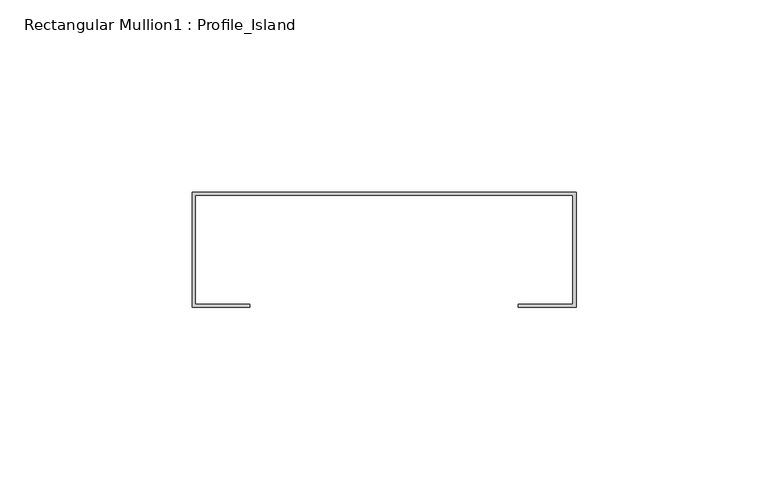
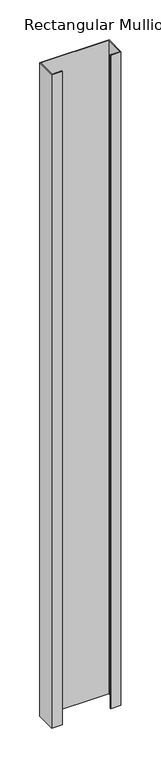
"""IFC4 building model written with IfcOpenShell, lengths in millimetres: member geometry, Rectangular Mullion1 : Profile_Island."""

import ifcopenshell
import ifcopenshell.guid

model = None  # the IFC model being written
_history = None  # IfcOwnerHistory: only IFC2X3 demands one
_inside = {}  # id of a spatial element -> (the spatial element, [elements in it])
_under = {}  # id of a project, library or spatial element -> (it, [spatial elements below it])
_declared = {}  # id of a project -> (the project, [libraries it declares])
_typed = {}  # id of a type object -> (the type object, [elements of that type])
_made_of = {}  # id of a material, layer set ... -> (it, [elements and type objects made of it])


def new_model(schema):
    """Start an empty IFC model of exactly this schema.

    Asked for "IFC4X3", IfcOpenShell would pick the latest addendum, in which some entities
    have other attributes; the version numbers below select the first issue.
    IFC2X3 requires an IfcOwnerHistory on every rooted entity: one is made here for all.
    """
    global model, _history
    if schema == "IFC4X3":
        model = ifcopenshell.file(schema_version=(4, 3, 0, 0))
    else:
        model = ifcopenshell.file(schema=schema)
    _inside.clear()
    _under.clear()
    _declared.clear()
    _typed.clear()
    _made_of.clear()
    _history = None
    if model.schema == "IFC2X3":
        org = make("IfcOrganization", Name="unknown")
        user = make(
            "IfcPersonAndOrganization",
            ThePerson=make("IfcPerson", FamilyName="unknown"),
            TheOrganization=org,
        )
        app = make(
            "IfcApplication",
            ApplicationDeveloper=org,
            Version="unknown",
            ApplicationFullName="unknown",
            ApplicationIdentifier="unknown",
        )
        _history = make(
            "IfcOwnerHistory",
            OwningUser=user,
            OwningApplication=app,
            ChangeAction="ADDED",
            CreationDate=0,
        )
    return model


def make(cls, **values):
    """One entity of the class cls with the attributes given. An attribute that is None is left unset."""
    return model.create_entity(
        cls, **{name: value for name, value in values.items() if value is not None}
    )


def rooted(cls, **values):
    """An entity with a GlobalId (a new one), such as an element, a storey or a relation."""
    return make(cls, GlobalId=ifcopenshell.guid.new(), OwnerHistory=_history, **values)


def si_unit(unit_type, name, prefix=None):
    """IfcSIUnit, for example si_unit("LENGTHUNIT", "METRE", prefix="MILLI")."""
    return make("IfcSIUnit", UnitType=unit_type, Prefix=prefix, Name=name)


def assignment(units):
    """IfcUnitAssignment: the units of a project."""
    return None if units is None else make("IfcUnitAssignment", Units=units)


def point(xyz):
    """IfcCartesianPoint."""
    return None if xyz is None else make("IfcCartesianPoint", Coordinates=xyz)


def direction(xyz):
    """IfcDirection."""
    return None if xyz is None else make("IfcDirection", DirectionRatios=xyz)


def frame(location, z_axis=None, x_axis=None):
    """IfcAxis2Placement3D, a coordinate frame: its origin and axes. An axis left out is left unset."""
    return make(
        "IfcAxis2Placement3D",
        Location=point(location),
        Axis=direction(z_axis),
        RefDirection=direction(x_axis),
    )


def origin():
    """The frame at (0, 0, 0) with its axes left unset."""
    return frame((0.0, 0.0, 0.0))


def place(relative_to, where):
    """IfcLocalPlacement: puts the frame where relative to a parent placement (None: the world)."""
    return make(
        "IfcLocalPlacement", PlacementRelTo=relative_to, RelativePlacement=where
    )


def context(
    kind, dimensions, precision=None, world=None, true_north=None, identifier=None
):
    """IfcGeometricRepresentationContext, for example the 3D "Model" context."""
    return make(
        "IfcGeometricRepresentationContext",
        ContextIdentifier=identifier,
        ContextType=kind,
        CoordinateSpaceDimension=dimensions,
        Precision=precision,
        WorldCoordinateSystem=world,
        TrueNorth=true_north,
    )


def project(units=None, contexts=None):
    """IfcProject with its units and contexts."""
    return rooted(
        "IfcProject",
        Name="project",
        RepresentationContexts=contexts,
        UnitsInContext=assignment(units),
    )


def spatial(cls, under=None, at=None, **own):
    """A site, building, storey or space (cls), placed at a placement, below another one or the project."""
    s = rooted(cls, ObjectPlacement=at, **own)
    if under is not None:
        _under.setdefault(under.id(), (under, []))[1].append(s)
    return s


def polyline(points):
    """IfcPolyline through the points."""
    return make("IfcPolyline", Points=[point(p) for p in points])


def outline(outer, holes=None, kind="AREA"):
    """IfcArbitraryClosedProfileDef: a profile drawn as a closed curve; with holes, ...WithVoids."""
    if holes is None:
        return make("IfcArbitraryClosedProfileDef", ProfileType=kind, OuterCurve=outer)
    return make(
        "IfcArbitraryProfileDefWithVoids",
        ProfileType=kind,
        OuterCurve=outer,
        InnerCurves=holes,
    )


def extrude(swept, where, along, depth):
    """IfcExtrudedAreaSolid: the profile swept, set in the frame where, extruded along a direction by depth."""
    return make(
        "IfcExtrudedAreaSolid",
        SweptArea=swept,
        Position=where,
        ExtrudedDirection=direction(along),
        Depth=depth,
    )


def shape(context_of_items, identifier, shape_type, items):
    """IfcShapeRepresentation: the items that make up one representation, for example the "Body"."""
    return make(
        "IfcShapeRepresentation",
        ContextOfItems=context_of_items,
        RepresentationIdentifier=identifier,
        RepresentationType=shape_type,
        Items=items,
    )


def source(mapping_origin, context_of_items, identifier, shape_type, items):
    """IfcRepresentationMap: a shape defined once, which mapped items show again and again."""
    return make(
        "IfcRepresentationMap",
        MappingOrigin=mapping_origin,
        MappedRepresentation=shape(context_of_items, identifier, shape_type, items),
    )


def transform(
    local_origin,
    x_axis=None,
    y_axis=None,
    z_axis=None,
    scale=None,
    scale2=None,
    scale3=None,
    uniform=True,
):
    """IfcCartesianTransformationOperator3D, or its non-uniform kind. x_axis, y_axis, z_axis: its Axis1, 2, 3."""
    if uniform:
        return make(
            "IfcCartesianTransformationOperator3D",
            Axis1=direction(x_axis),
            Axis2=direction(y_axis),
            LocalOrigin=point(local_origin),
            Scale=scale,
            Axis3=direction(z_axis),
        )
    return make(
        "IfcCartesianTransformationOperator3DnonUniform",
        Axis1=direction(x_axis),
        Axis2=direction(y_axis),
        LocalOrigin=point(local_origin),
        Scale=scale,
        Axis3=direction(z_axis),
        Scale2=scale2,
        Scale3=scale3,
    )


def mapped(mapping_source, mapping_target):
    """IfcMappedItem: shows the shape of a source again, moved by a transform."""
    return make(
        "IfcMappedItem", MappingSource=mapping_source, MappingTarget=mapping_target
    )


def made_of(thing, what):
    """Note that an element or type object is made of a material, layer set ...; save() writes the relation."""
    if what is not None:
        _made_of.setdefault(what.id(), (what, []))[1].append(thing)
    return thing


def element(
    cls,
    number,
    at=None,
    inside=None,
    cuts=None,
    type_object=None,
    material=None,
    context=None,
    identifier="Body",
    shape_type=None,
    held_by="IfcProductDefinitionShape",
    body=None,
    shapes=None,
    **own,
):
    """One element of the class cls, such as IfcWall. Its Tag is "e" and its number.

    at: its placement. inside: the storey or other place that contains it. cuts: it is an
    opening in that element (IfcRelVoidsElement). A single representation is given by context,
    identifier, shape_type and body (its items); several are given by shapes. held_by: the class
    of the entity that holds the representations. save() writes the other relations.
    """
    e = rooted(cls, Tag="e%d" % number, ObjectPlacement=at, **own)
    if body is not None:
        shapes = [shape(context, identifier, shape_type, body)]
    if shapes is not None:
        e.Representation = make(held_by, Representations=shapes)
    if inside is not None:
        _inside.setdefault(inside.id(), (inside, []))[1].append(e)
    if cuts is not None:
        rooted(
            "IfcRelVoidsElement", RelatingBuildingElement=cuts, RelatedOpeningElement=e
        )
    if type_object is not None:
        _typed.setdefault(type_object.id(), (type_object, []))[1].append(e)
    return made_of(e, material)


def aggregate(whole, parts):
    """IfcRelAggregates: a whole, such as a stair, and the parts it consists of."""
    return rooted("IfcRelAggregates", RelatingObject=whole, RelatedObjects=parts)


def save(model, path):
    """Write the relations noted so far, then the file.

    IfcRelAggregates (storeys below a building ...), IfcRelContainedInSpatialStructure (elements
    in a storey), IfcRelDefinesByType, IfcRelAssociatesMaterial and IfcRelDeclares: one each for
    every whole, place, type object, material and project.
    """
    for whole, parts in _under.values():
        aggregate(whole, parts)
    for where, things in _inside.values():
        rooted(
            "IfcRelContainedInSpatialStructure",
            RelatedElements=things,
            RelatingStructure=where,
        )
    for kind, things in _typed.values():
        rooted("IfcRelDefinesByType", RelatedObjects=things, RelatingType=kind)
    for what, things in _made_of.values():
        rooted("IfcRelAssociatesMaterial", RelatedObjects=things, RelatingMaterial=what)
    for by, libraries in _declared.values():
        rooted("IfcRelDeclares", RelatingContext=by, RelatedDefinitions=libraries)
    model.write(path)


def rectangular_mullion1_profile_island_b9cbb37b(model_context):
    return source(origin(), model_context, "Body", "SweptSolid", [
        extrude(outline(polyline([(50.0, 32.0), (50.0, 2.0), (35.0, 2.0), (35.0, 2.8), (49.2, 2.8), (49.2, 31.2), (-49.2, 31.2), (-49.2, 2.8), (-35.0, 2.8), (-35.0, 2.0), (-50.0, 2.0), (-50.0, 32.0), (50.0, 32.0)])), frame((0.0, 0.0, -999.499983), z_axis=(0.0, 0.0, 1.0), x_axis=(1.0, 0.0, 0.0)), (0.0, 0.0, 1.0), 999.499983),
    ])


if __name__ == "__main__":
    model = new_model("IFC4")
    model_context = context("Model", 3, world=origin())
    ifc_project = project(units=[si_unit("LENGTHUNIT", "METRE", prefix="MILLI")], contexts=[model_context])
    site = spatial("IfcSite", under=ifc_project)
    building = spatial("IfcBuilding", under=site)
    placement = place(None, origin())
    rectangular_mullion1_profile_island_shape = rectangular_mullion1_profile_island_b9cbb37b(model_context)
    element("IfcMember", 1, ObjectType="Rectangular Mullion1 : Profile_Island", at=placement, inside=building, context=model_context, shape_type="MappedRepresentation", body=[
        mapped(rectangular_mullion1_profile_island_shape, transform((0.0, 0.0, 0.0), x_axis=(1.0, 0.0, 0.0), y_axis=(0.0, 1.0, 0.0), z_axis=(0.0, 0.0, 1.0))),
    ])
    save(model, "model.ifc")
